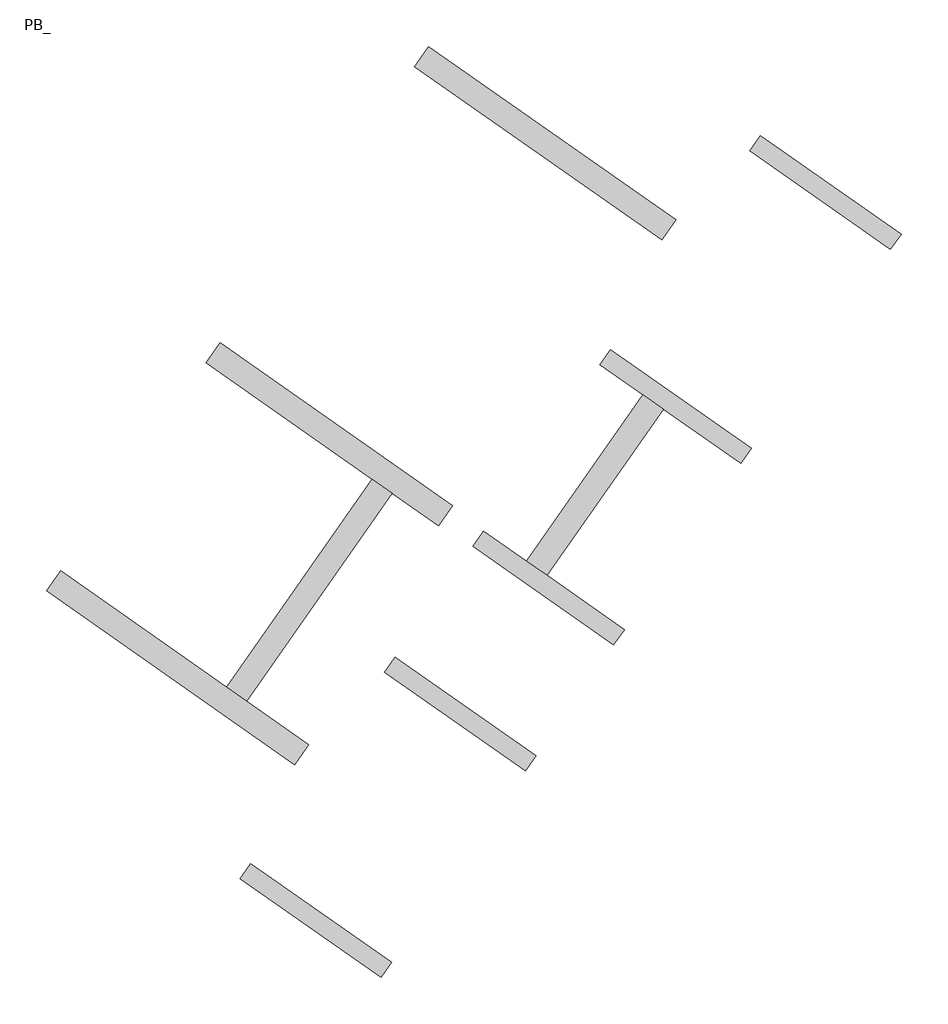
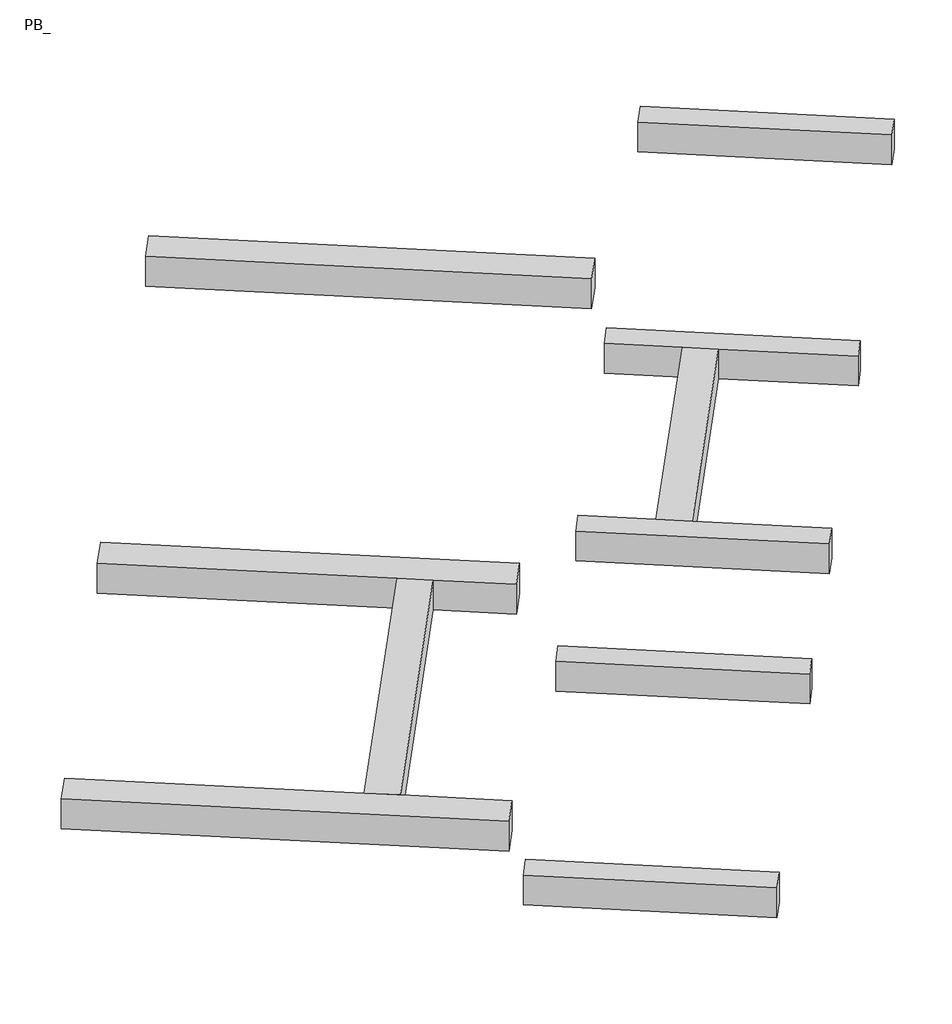
# One storey: 10 beams.
"""IFC4 building model written with IfcOpenShell, lengths in millimetres."""

import ifcopenshell
import ifcopenshell.guid

model = None  # the IFC model being written
_history = None  # IfcOwnerHistory: only IFC2X3 demands one
_inside = {}  # id of a spatial element -> (the spatial element, [elements in it])
_under = {}  # id of a project, library or spatial element -> (it, [spatial elements below it])
_declared = {}  # id of a project -> (the project, [libraries it declares])
_typed = {}  # id of a type object -> (the type object, [elements of that type])
_made_of = {}  # id of a material, layer set ... -> (it, [elements and type objects made of it])


def new_model(schema):
    """Start an empty IFC model of exactly this schema.

    Asked for "IFC4X3", IfcOpenShell would pick the latest addendum, in which some entities
    have other attributes; the version numbers below select the first issue.
    IFC2X3 requires an IfcOwnerHistory on every rooted entity: one is made here for all.
    """
    global model, _history
    if schema == "IFC4X3":
        model = ifcopenshell.file(schema_version=(4, 3, 0, 0))
    else:
        model = ifcopenshell.file(schema=schema)
    _inside.clear()
    _under.clear()
    _declared.clear()
    _typed.clear()
    _made_of.clear()
    _history = None
    if model.schema == "IFC2X3":
        org = make("IfcOrganization", Name="unknown")
        user = make(
            "IfcPersonAndOrganization",
            ThePerson=make("IfcPerson", FamilyName="unknown"),
            TheOrganization=org,
        )
        app = make(
            "IfcApplication",
            ApplicationDeveloper=org,
            Version="unknown",
            ApplicationFullName="unknown",
            ApplicationIdentifier="unknown",
        )
        _history = make(
            "IfcOwnerHistory",
            OwningUser=user,
            OwningApplication=app,
            ChangeAction="ADDED",
            CreationDate=0,
        )
    return model


def make(cls, **values):
    """One entity of the class cls with the attributes given. An attribute that is None is left unset."""
    return model.create_entity(
        cls, **{name: value for name, value in values.items() if value is not None}
    )


def rooted(cls, **values):
    """An entity with a GlobalId (a new one), such as an element, a storey or a relation."""
    return make(cls, GlobalId=ifcopenshell.guid.new(), OwnerHistory=_history, **values)


def si_unit(unit_type, name, prefix=None):
    """IfcSIUnit, for example si_unit("LENGTHUNIT", "METRE", prefix="MILLI")."""
    return make("IfcSIUnit", UnitType=unit_type, Prefix=prefix, Name=name)


def assignment(units):
    """IfcUnitAssignment: the units of a project."""
    return None if units is None else make("IfcUnitAssignment", Units=units)


def point(xyz):
    """IfcCartesianPoint."""
    return None if xyz is None else make("IfcCartesianPoint", Coordinates=xyz)


def direction(xyz):
    """IfcDirection."""
    return None if xyz is None else make("IfcDirection", DirectionRatios=xyz)


def frame(location, z_axis=None, x_axis=None):
    """IfcAxis2Placement3D, a coordinate frame: its origin and axes. An axis left out is left unset."""
    return make(
        "IfcAxis2Placement3D",
        Location=point(location),
        Axis=direction(z_axis),
        RefDirection=direction(x_axis),
    )


def origin():
    """The frame at (0, 0, 0) with its axes left unset."""
    return frame((0.0, 0.0, 0.0))


def place(relative_to, where):
    """IfcLocalPlacement: puts the frame where relative to a parent placement (None: the world)."""
    return make(
        "IfcLocalPlacement", PlacementRelTo=relative_to, RelativePlacement=where
    )


def context(
    kind, dimensions, precision=None, world=None, true_north=None, identifier=None
):
    """IfcGeometricRepresentationContext, for example the 3D "Model" context."""
    return make(
        "IfcGeometricRepresentationContext",
        ContextIdentifier=identifier,
        ContextType=kind,
        CoordinateSpaceDimension=dimensions,
        Precision=precision,
        WorldCoordinateSystem=world,
        TrueNorth=true_north,
    )


def project(units=None, contexts=None):
    """IfcProject with its units and contexts."""
    return rooted(
        "IfcProject",
        Name="project",
        RepresentationContexts=contexts,
        UnitsInContext=assignment(units),
    )


def spatial(cls, under=None, at=None, **own):
    """A site, building, storey or space (cls), placed at a placement, below another one or the project."""
    s = rooted(cls, ObjectPlacement=at, **own)
    if under is not None:
        _under.setdefault(under.id(), (under, []))[1].append(s)
    return s


def polyline(points):
    """IfcPolyline through the points."""
    return make("IfcPolyline", Points=[point(p) for p in points])


def outline(outer, holes=None, kind="AREA"):
    """IfcArbitraryClosedProfileDef: a profile drawn as a closed curve; with holes, ...WithVoids."""
    if holes is None:
        return make("IfcArbitraryClosedProfileDef", ProfileType=kind, OuterCurve=outer)
    return make(
        "IfcArbitraryProfileDefWithVoids",
        ProfileType=kind,
        OuterCurve=outer,
        InnerCurves=holes,
    )


def extrude(swept, where, along, depth):
    """IfcExtrudedAreaSolid: the profile swept, set in the frame where, extruded along a direction by depth."""
    return make(
        "IfcExtrudedAreaSolid",
        SweptArea=swept,
        Position=where,
        ExtrudedDirection=direction(along),
        Depth=depth,
    )


def faces_of(points, faces, orient=None, outer=None):
    """IfcFace entities. A face is a list of loops; a loop is a list of indices into points, from 0.

    orient and outer hold one flag for each loop. By default every Orientation is true, the
    first loop of a face is its IfcFaceOuterBound and the others are IfcFaceBound.
    """
    made = []
    for i, loops in enumerate(faces):
        bounds = []
        for j, loop in enumerate(loops):
            is_outer = j == 0 if outer is None else outer[i][j]
            bounds.append(
                make(
                    "IfcFaceOuterBound" if is_outer else "IfcFaceBound",
                    Bound=make("IfcPolyLoop", Polygon=[points[k] for k in loop]),
                    Orientation=True if orient is None else orient[i][j],
                )
            )
        made.append(make("IfcFace", Bounds=bounds))
    return made


def faceted_brep(points, faces, orient=None, outer=None, voids=None):
    """IfcFacetedBrep: a solid bounded by flat faces; with voids (closed shells), ...WithVoids."""
    shared = [point(p) for p in points]
    hull = make("IfcClosedShell", CfsFaces=faces_of(shared, faces, orient, outer))
    if voids is None:
        return make("IfcFacetedBrep", Outer=hull)
    return make(
        "IfcFacetedBrepWithVoids",
        Outer=hull,
        Voids=[
            make(cls, CfsFaces=faces_of(shared, fs, o, b)) for cls, fs, o, b in voids
        ],
    )


def shape(context_of_items, identifier, shape_type, items):
    """IfcShapeRepresentation: the items that make up one representation, for example the "Body"."""
    return make(
        "IfcShapeRepresentation",
        ContextOfItems=context_of_items,
        RepresentationIdentifier=identifier,
        RepresentationType=shape_type,
        Items=items,
    )


def source(mapping_origin, context_of_items, identifier, shape_type, items):
    """IfcRepresentationMap: a shape defined once, which mapped items show again and again."""
    return make(
        "IfcRepresentationMap",
        MappingOrigin=mapping_origin,
        MappedRepresentation=shape(context_of_items, identifier, shape_type, items),
    )


def transform(
    local_origin,
    x_axis=None,
    y_axis=None,
    z_axis=None,
    scale=None,
    scale2=None,
    scale3=None,
    uniform=True,
):
    """IfcCartesianTransformationOperator3D, or its non-uniform kind. x_axis, y_axis, z_axis: its Axis1, 2, 3."""
    if uniform:
        return make(
            "IfcCartesianTransformationOperator3D",
            Axis1=direction(x_axis),
            Axis2=direction(y_axis),
            LocalOrigin=point(local_origin),
            Scale=scale,
            Axis3=direction(z_axis),
        )
    return make(
        "IfcCartesianTransformationOperator3DnonUniform",
        Axis1=direction(x_axis),
        Axis2=direction(y_axis),
        LocalOrigin=point(local_origin),
        Scale=scale,
        Axis3=direction(z_axis),
        Scale2=scale2,
        Scale3=scale3,
    )


def mapped(mapping_source, mapping_target):
    """IfcMappedItem: shows the shape of a source again, moved by a transform."""
    return make(
        "IfcMappedItem", MappingSource=mapping_source, MappingTarget=mapping_target
    )


def made_of(thing, what):
    """Note that an element or type object is made of a material, layer set ...; save() writes the relation."""
    if what is not None:
        _made_of.setdefault(what.id(), (what, []))[1].append(thing)
    return thing


def element(
    cls,
    number,
    at=None,
    inside=None,
    cuts=None,
    type_object=None,
    material=None,
    context=None,
    identifier="Body",
    shape_type=None,
    held_by="IfcProductDefinitionShape",
    body=None,
    shapes=None,
    **own,
):
    """One element of the class cls, such as IfcWall. Its Tag is "e" and its number.

    at: its placement. inside: the storey or other place that contains it. cuts: it is an
    opening in that element (IfcRelVoidsElement). A single representation is given by context,
    identifier, shape_type and body (its items); several are given by shapes. held_by: the class
    of the entity that holds the representations. save() writes the other relations.
    """
    e = rooted(cls, Tag="e%d" % number, ObjectPlacement=at, **own)
    if body is not None:
        shapes = [shape(context, identifier, shape_type, body)]
    if shapes is not None:
        e.Representation = make(held_by, Representations=shapes)
    if inside is not None:
        _inside.setdefault(inside.id(), (inside, []))[1].append(e)
    if cuts is not None:
        rooted(
            "IfcRelVoidsElement", RelatingBuildingElement=cuts, RelatedOpeningElement=e
        )
    if type_object is not None:
        _typed.setdefault(type_object.id(), (type_object, []))[1].append(e)
    return made_of(e, material)


def aggregate(whole, parts):
    """IfcRelAggregates: a whole, such as a stair, and the parts it consists of."""
    return rooted("IfcRelAggregates", RelatingObject=whole, RelatedObjects=parts)


def save(model, path):
    """Write the relations noted so far, then the file.

    IfcRelAggregates (storeys below a building ...), IfcRelContainedInSpatialStructure (elements
    in a storey), IfcRelDefinesByType, IfcRelAssociatesMaterial and IfcRelDeclares: one each for
    every whole, place, type object, material and project.
    """
    for whole, parts in _under.values():
        aggregate(whole, parts)
    for where, things in _inside.values():
        rooted(
            "IfcRelContainedInSpatialStructure",
            RelatedElements=things,
            RelatingStructure=where,
        )
    for kind, things in _typed.values():
        rooted("IfcRelDefinesByType", RelatedObjects=things, RelatingType=kind)
    for what, things in _made_of.values():
        rooted("IfcRelAssociatesMaterial", RelatedObjects=things, RelatingMaterial=what)
    for by, libraries in _declared.values():
        rooted("IfcRelDeclares", RelatingContext=by, RelatedDefinitions=libraries)
    model.write(path)


def beam_300_x_400mm_73a692c0(model_context):
    return source(origin(), model_context, "Body", "SweptSolid", [
        extrude(outline(polyline([(1401.2, 150.0), (1401.2, -150.0), (-1401.2, -150.0), (-1401.2, 150.0), (1401.2, 150.0)])), frame((0.0, 0.0, -200.0), z_axis=(0.0, 0.0, 1.0), x_axis=(1.0, 0.0, 0.0)), (0.0, 0.0, 1.0), 400.0),
    ])


def beam_400_x_400mm_4f6b2ff7(model_context):
    return source(origin(), model_context, "Body", "SweptSolid", [
        extrude(outline(polyline([(2462.7, 200.0), (2462.7, -200.0), (-2462.7, -200.0), (-2462.7, 200.0), (2462.7, 200.0)])), frame((0.0, 0.0, -200.0), z_axis=(0.0, 0.0, 1.0), x_axis=(1.0, 0.0, 0.0)), (0.0, 0.0, 1.0), 400.0),
    ])


model = new_model("IFC4")

# Units and contexts
model_context = context("Model", 3, world=origin())
ifc_project = project(units=[si_unit("LENGTHUNIT", "METRE", prefix="MILLI")], contexts=[model_context])

# Site, building, storey
site = spatial("IfcSite", under=ifc_project)
building = spatial("IfcBuilding", under=site)
storey = spatial("IfcBuildingStorey", under=building, Name="PB_", Elevation=95940.0)

# Beams
placement = place(None, origin())
element("IfcBeam", 1, ObjectType="300 x 400mm", at=placement, inside=storey, context=model_context, shape_type="Brep", body=[
    faceted_brep([(7934.5166774, 1090.4325859, 96520.0), (8106.5896083, 1336.1781992, 96520.0), (8106.5896083, 1336.1781992, 96120.0), (7934.5166774, 1090.4325859, 96120.0), (10230.1083663, -516.9580194, 96520.0), (10230.1083663, -516.9580194, 96120.0), (10402.1812972, -271.2124061, 96120.0), (10402.1812972, -271.2124061, 96520.0), (9138.6105108, 613.5493837, 96520.0), (8810.9496931, 842.9799582, 96520.0), (9138.6105108, 613.5493837, 96120.0), (8810.9496931, 842.9799582, 96120.0)], [[[0, 1, 2, 3]], [[4, 5, 6, 7]], [[1, 0, 4, 7, 8, 9]], [[2, 1, 9, 8, 7, 6, 10, 11]], [[3, 2, 11, 10, 6, 5]], [[0, 3, 5, 4]]]),
])
element("IfcBeam", 2, ObjectType="300 x 400mm", at=placement, inside=storey, context=model_context, shape_type="Brep", body=[
    faceted_brep([(10005.1276127, 4047.5714657, 96520.0), (10177.2005436, 4293.317079, 96520.0), (10177.2005436, 4293.317079, 96120.0), (10005.1276127, 4047.5714657, 96120.0), (12300.7193016, 2440.1808604, 96520.0), (12300.7193016, 2440.1808604, 96120.0), (12472.7922325, 2685.9264737, 96120.0), (12472.7922325, 2685.9264737, 96520.0), (10709.4876975, 3554.3732247, 96520.0), (11037.1485152, 3324.9426502, 96520.0), (11037.1485152, 3324.9426502, 96120.0), (10709.4876975, 3554.3732247, 96120.0)], [[[0, 1, 2, 3]], [[4, 5, 6, 7]], [[1, 0, 8, 9, 4, 7]], [[2, 1, 7, 6]], [[3, 2, 6, 5, 10, 11]], [[0, 3, 11, 10, 5, 4, 9, 8]]]),
])
beam_300_x_400mm_shape = beam_300_x_400mm_73a692c0(model_context)
element("IfcBeam", 3, ObjectType="300 x 400mm", at=placement, inside=storey, context=model_context, shape_type="MappedRepresentation", body=[
    mapped(beam_300_x_400mm_shape, transform((5371.2729785, -5013.1764432, 96320.0), x_axis=(-0.8191520442696126, 0.5735764363787225, 0.0), y_axis=(-0.5735764363787225, -0.8191520442696126, 0.0), z_axis=(0.0, 0.0, 1.0))),
])
element("IfcBeam", 4, ObjectType="300 x 400mm", at=placement, inside=storey, context=model_context, shape_type="MappedRepresentation", body=[
    mapped(beam_300_x_400mm_shape, transform((7728.6539152, -1646.4875575, 96320.0), x_axis=(-0.8191520442696126, 0.5735764363787225, 0.0), y_axis=(-0.5735764363787225, -0.8191520442696126, 0.0), z_axis=(0.0, 0.0, 1.0))),
])
element("IfcBeam", 5, ObjectType="300 x 400mm", at=placement, inside=storey, context=model_context, shape_type="MappedRepresentation", body=[
    mapped(beam_300_x_400mm_shape, transform((13682.3955416, 6856.3366783, 96320.0), x_axis=(-0.8191520442696126, 0.5735764363787225, 0.0), y_axis=(-0.5735764363787225, -0.8191520442696126, 0.0), z_axis=(0.0, 0.0, 1.0))),
])
element("IfcBeam", 6, ObjectType="400 x 400mm", at=placement, inside=storey, context=model_context, shape_type="SweptSolid", body=[
    extrude(outline(polyline([(9138.6105108, 613.5493837), (8810.9496931, 842.9799582), (10709.4876975, 3554.3732247), (11037.1485152, 3324.9426502), (9138.6105108, 613.5493837)])), frame((0.0, 0.0, 96120.0), z_axis=(0.0, 0.0, 1.0), x_axis=(1.0, 0.0, 0.0)), (0.0, 0.0, 1.0), 400.0),
])
element("IfcBeam", 7, ObjectType="400 x 400mm", at=placement, inside=storey, context=model_context, shape_type="Brep", body=[
    faceted_brep([(5257.8237611, -2143.4719761, 95800.0), (5028.3931866, -2471.1327938, 95800.0), (5028.3931866, -2471.1327938, 95400.0), (5257.8237611, -2143.4719761, 95400.0), (1210.8850016, 690.2250502, 95800.0), (1210.8850016, 690.2250502, 95400.0), (981.4544271, 362.5642325, 95400.0), (981.4544271, 362.5642325, 95800.0), (4248.2941571, -1436.5917372, 95800.0), (3920.6333394, -1207.1611627, 95800.0), (3920.6333394, -1207.1611627, 95400.0), (4248.2941571, -1436.5917372, 95400.0)], [[[0, 1, 2, 3]], [[4, 5, 6, 7]], [[1, 0, 8, 9, 4, 7]], [[2, 1, 7, 6]], [[3, 2, 6, 5, 10, 11]], [[0, 3, 11, 10, 5, 4, 9, 8]]]),
])
element("IfcBeam", 8, ObjectType="400 x 400mm", at=placement, inside=storey, context=model_context, shape_type="SweptSolid", body=[
    extrude(outline(polyline([(4248.2941571, -1436.5917372), (3920.6333394, -1207.1611627), (6291.9976551, 2179.4980578), (6619.6584728, 1950.0674833), (4248.2941571, -1436.5917372)])), frame((0.0, 0.0, 95400.0), z_axis=(0.0, 0.0, 1.0), x_axis=(1.0, 0.0, 0.0)), (0.0, 0.0, 1.0), 400.0),
])
element("IfcBeam", 9, ObjectType="400 x 400mm", at=placement, inside=storey, context=model_context, shape_type="Brep", body=[
    faceted_brep([(3582.3721901, 4076.7982343, 95800.0), (3811.8027647, 4404.459052, 95800.0), (3811.8027647, 4404.459052, 95400.0), (3582.3721901, 4076.7982343, 95400.0), (7372.9163598, 1422.6306326, 95800.0), (7372.9163598, 1422.6306326, 95400.0), (7602.3469343, 1750.2914503, 95400.0), (7602.3469343, 1750.2914503, 95800.0), (6291.9976551, 2179.4980578, 95800.0), (6619.6584728, 1950.0674833, 95800.0), (6619.6584728, 1950.0674833, 95400.0), (6291.9976551, 2179.4980578, 95400.0)], [[[0, 1, 2, 3]], [[4, 5, 6, 7]], [[1, 0, 8, 9, 4, 7]], [[2, 1, 7, 6]], [[3, 2, 6, 5, 10, 11]], [[0, 3, 11, 10, 5, 4, 9, 8]]]),
])
beam_400_x_400mm_shape = beam_400_x_400mm_4f6b2ff7(model_context)
element("IfcBeam", 10, ObjectType="400 x 400mm", at=placement, inside=storey, context=model_context, shape_type="MappedRepresentation", body=[
    mapped(beam_400_x_400mm_shape, transform((9113.7733233, 7656.4983278, 95600.0), x_axis=(-0.8191520442696049, 0.5735764363787336, 0.0), y_axis=(-0.5735764363787336, -0.8191520442696049, 0.0), z_axis=(0.0, 0.0, 1.0))),
])

save(model, "model.ifc")
